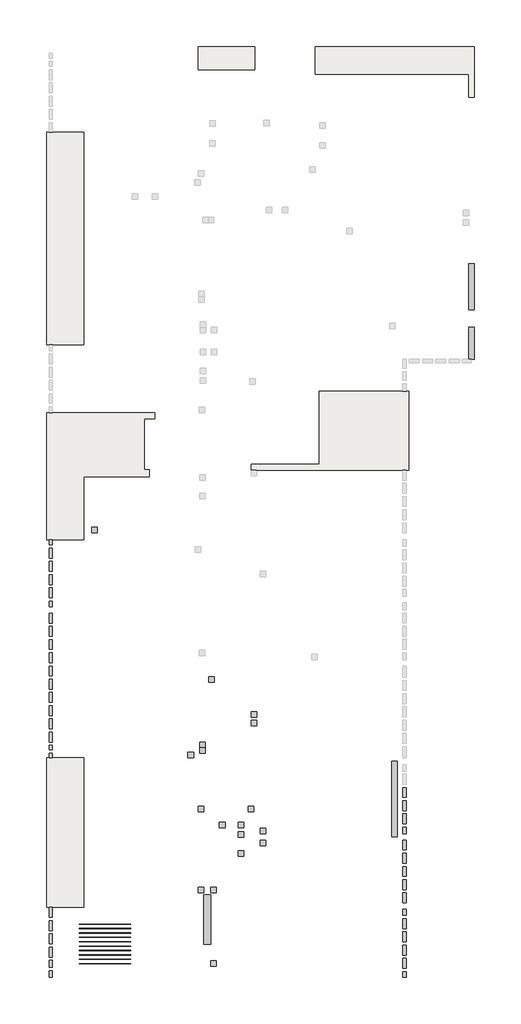
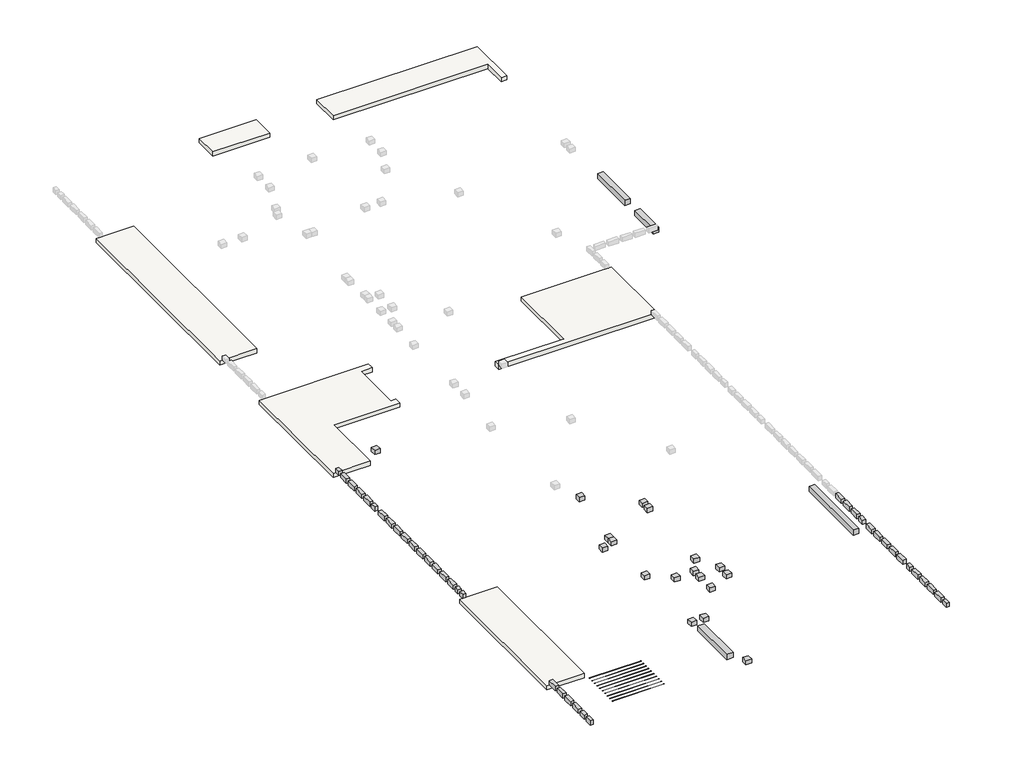
# One storey, part 1 of 2: 57 proxies, 12 reinforcing bars, 4 beams, 1 slab.
"""IFC4 building model written with IfcOpenShell, lengths in millimetres."""

import ifcopenshell
import ifcopenshell.guid

model = None  # the IFC model being written
_history = None  # IfcOwnerHistory: only IFC2X3 demands one
_inside = {}  # id of a spatial element -> (the spatial element, [elements in it])
_under = {}  # id of a project, library or spatial element -> (it, [spatial elements below it])
_declared = {}  # id of a project -> (the project, [libraries it declares])
_typed = {}  # id of a type object -> (the type object, [elements of that type])
_made_of = {}  # id of a material, layer set ... -> (it, [elements and type objects made of it])


def new_model(schema):
    """Start an empty IFC model of exactly this schema.

    Asked for "IFC4X3", IfcOpenShell would pick the latest addendum, in which some entities
    have other attributes; the version numbers below select the first issue.
    IFC2X3 requires an IfcOwnerHistory on every rooted entity: one is made here for all.
    """
    global model, _history
    if schema == "IFC4X3":
        model = ifcopenshell.file(schema_version=(4, 3, 0, 0))
    else:
        model = ifcopenshell.file(schema=schema)
    _inside.clear()
    _under.clear()
    _declared.clear()
    _typed.clear()
    _made_of.clear()
    _history = None
    if model.schema == "IFC2X3":
        org = make("IfcOrganization", Name="unknown")
        user = make(
            "IfcPersonAndOrganization",
            ThePerson=make("IfcPerson", FamilyName="unknown"),
            TheOrganization=org,
        )
        app = make(
            "IfcApplication",
            ApplicationDeveloper=org,
            Version="unknown",
            ApplicationFullName="unknown",
            ApplicationIdentifier="unknown",
        )
        _history = make(
            "IfcOwnerHistory",
            OwningUser=user,
            OwningApplication=app,
            ChangeAction="ADDED",
            CreationDate=0,
        )
    return model


def make(cls, **values):
    """One entity of the class cls with the attributes given. An attribute that is None is left unset."""
    return model.create_entity(
        cls, **{name: value for name, value in values.items() if value is not None}
    )


def rooted(cls, **values):
    """An entity with a GlobalId (a new one), such as an element, a storey or a relation."""
    return make(cls, GlobalId=ifcopenshell.guid.new(), OwnerHistory=_history, **values)


def si_unit(unit_type, name, prefix=None):
    """IfcSIUnit, for example si_unit("LENGTHUNIT", "METRE", prefix="MILLI")."""
    return make("IfcSIUnit", UnitType=unit_type, Prefix=prefix, Name=name)


def assignment(units):
    """IfcUnitAssignment: the units of a project."""
    return None if units is None else make("IfcUnitAssignment", Units=units)


def point(xyz):
    """IfcCartesianPoint."""
    return None if xyz is None else make("IfcCartesianPoint", Coordinates=xyz)


def direction(xyz):
    """IfcDirection."""
    return None if xyz is None else make("IfcDirection", DirectionRatios=xyz)


def frame(location, z_axis=None, x_axis=None):
    """IfcAxis2Placement3D, a coordinate frame: its origin and axes. An axis left out is left unset."""
    return make(
        "IfcAxis2Placement3D",
        Location=point(location),
        Axis=direction(z_axis),
        RefDirection=direction(x_axis),
    )


def frame_2d(location, x_axis=None):
    """IfcAxis2Placement2D, a coordinate frame in the plane: its origin and x axis."""
    return make(
        "IfcAxis2Placement2D", Location=point(location), RefDirection=direction(x_axis)
    )


def origin():
    """The frame at (0, 0, 0) with its axes left unset."""
    return frame((0.0, 0.0, 0.0))


def place(relative_to, where):
    """IfcLocalPlacement: puts the frame where relative to a parent placement (None: the world)."""
    return make(
        "IfcLocalPlacement", PlacementRelTo=relative_to, RelativePlacement=where
    )


def context(
    kind, dimensions, precision=None, world=None, true_north=None, identifier=None
):
    """IfcGeometricRepresentationContext, for example the 3D "Model" context."""
    return make(
        "IfcGeometricRepresentationContext",
        ContextIdentifier=identifier,
        ContextType=kind,
        CoordinateSpaceDimension=dimensions,
        Precision=precision,
        WorldCoordinateSystem=world,
        TrueNorth=true_north,
    )


def project(units=None, contexts=None):
    """IfcProject with its units and contexts."""
    return rooted(
        "IfcProject",
        Name="project",
        RepresentationContexts=contexts,
        UnitsInContext=assignment(units),
    )


def spatial(cls, under=None, at=None, **own):
    """A site, building, storey or space (cls), placed at a placement, below another one or the project."""
    s = rooted(cls, ObjectPlacement=at, **own)
    if under is not None:
        _under.setdefault(under.id(), (under, []))[1].append(s)
    return s


def polyline(points):
    """IfcPolyline through the points."""
    return make("IfcPolyline", Points=[point(p) for p in points])


def circle_curve(where, radius):
    """IfcCircle in the frame where."""
    return make("IfcCircle", Position=where, Radius=radius)


def trimmed(basis, trim1, trim2, sense, master):
    """IfcTrimmedCurve: the piece of a basis curve between two trims."""
    return make(
        "IfcTrimmedCurve",
        BasisCurve=basis,
        Trim1=trim1,
        Trim2=trim2,
        SenseAgreement=sense,
        MasterRepresentation=master,
    )


def segment(curve, same_sense, transition):
    """IfcCompositeCurveSegment."""
    return make(
        "IfcCompositeCurveSegment",
        Transition=transition,
        SameSense=same_sense,
        ParentCurve=curve,
    )


def composite_curve(segments, self_intersect=None):
    """IfcCompositeCurve: segments joined end to end."""
    return make("IfcCompositeCurve", Segments=segments, SelfIntersect=self_intersect)


def outline(outer, holes=None, kind="AREA"):
    """IfcArbitraryClosedProfileDef: a profile drawn as a closed curve; with holes, ...WithVoids."""
    if holes is None:
        return make("IfcArbitraryClosedProfileDef", ProfileType=kind, OuterCurve=outer)
    return make(
        "IfcArbitraryProfileDefWithVoids",
        ProfileType=kind,
        OuterCurve=outer,
        InnerCurves=holes,
    )


def extrude(swept, where, along, depth):
    """IfcExtrudedAreaSolid: the profile swept, set in the frame where, extruded along a direction by depth."""
    return make(
        "IfcExtrudedAreaSolid",
        SweptArea=swept,
        Position=where,
        ExtrudedDirection=direction(along),
        Depth=depth,
    )


def faces_of(points, faces, orient=None, outer=None):
    """IfcFace entities. A face is a list of loops; a loop is a list of indices into points, from 0.

    orient and outer hold one flag for each loop. By default every Orientation is true, the
    first loop of a face is its IfcFaceOuterBound and the others are IfcFaceBound.
    """
    made = []
    for i, loops in enumerate(faces):
        bounds = []
        for j, loop in enumerate(loops):
            is_outer = j == 0 if outer is None else outer[i][j]
            bounds.append(
                make(
                    "IfcFaceOuterBound" if is_outer else "IfcFaceBound",
                    Bound=make("IfcPolyLoop", Polygon=[points[k] for k in loop]),
                    Orientation=True if orient is None else orient[i][j],
                )
            )
        made.append(make("IfcFace", Bounds=bounds))
    return made


def faceted_brep(points, faces, orient=None, outer=None, voids=None):
    """IfcFacetedBrep: a solid bounded by flat faces; with voids (closed shells), ...WithVoids."""
    shared = [point(p) for p in points]
    hull = make("IfcClosedShell", CfsFaces=faces_of(shared, faces, orient, outer))
    if voids is None:
        return make("IfcFacetedBrep", Outer=hull)
    return make(
        "IfcFacetedBrepWithVoids",
        Outer=hull,
        Voids=[
            make(cls, CfsFaces=faces_of(shared, fs, o, b)) for cls, fs, o, b in voids
        ],
    )


def shape(context_of_items, identifier, shape_type, items):
    """IfcShapeRepresentation: the items that make up one representation, for example the "Body"."""
    return make(
        "IfcShapeRepresentation",
        ContextOfItems=context_of_items,
        RepresentationIdentifier=identifier,
        RepresentationType=shape_type,
        Items=items,
    )


def source(mapping_origin, context_of_items, identifier, shape_type, items):
    """IfcRepresentationMap: a shape defined once, which mapped items show again and again."""
    return make(
        "IfcRepresentationMap",
        MappingOrigin=mapping_origin,
        MappedRepresentation=shape(context_of_items, identifier, shape_type, items),
    )


def transform(
    local_origin,
    x_axis=None,
    y_axis=None,
    z_axis=None,
    scale=None,
    scale2=None,
    scale3=None,
    uniform=True,
):
    """IfcCartesianTransformationOperator3D, or its non-uniform kind. x_axis, y_axis, z_axis: its Axis1, 2, 3."""
    if uniform:
        return make(
            "IfcCartesianTransformationOperator3D",
            Axis1=direction(x_axis),
            Axis2=direction(y_axis),
            LocalOrigin=point(local_origin),
            Scale=scale,
            Axis3=direction(z_axis),
        )
    return make(
        "IfcCartesianTransformationOperator3DnonUniform",
        Axis1=direction(x_axis),
        Axis2=direction(y_axis),
        LocalOrigin=point(local_origin),
        Scale=scale,
        Axis3=direction(z_axis),
        Scale2=scale2,
        Scale3=scale3,
    )


def mapped(mapping_source, mapping_target):
    """IfcMappedItem: shows the shape of a source again, moved by a transform."""
    return make(
        "IfcMappedItem", MappingSource=mapping_source, MappingTarget=mapping_target
    )


def made_of(thing, what):
    """Note that an element or type object is made of a material, layer set ...; save() writes the relation."""
    if what is not None:
        _made_of.setdefault(what.id(), (what, []))[1].append(thing)
    return thing


def element(
    cls,
    number,
    at=None,
    inside=None,
    cuts=None,
    type_object=None,
    material=None,
    context=None,
    identifier="Body",
    shape_type=None,
    held_by="IfcProductDefinitionShape",
    body=None,
    shapes=None,
    **own,
):
    """One element of the class cls, such as IfcWall. Its Tag is "e" and its number.

    at: its placement. inside: the storey or other place that contains it. cuts: it is an
    opening in that element (IfcRelVoidsElement). A single representation is given by context,
    identifier, shape_type and body (its items); several are given by shapes. held_by: the class
    of the entity that holds the representations. save() writes the other relations.
    """
    e = rooted(cls, Tag="e%d" % number, ObjectPlacement=at, **own)
    if body is not None:
        shapes = [shape(context, identifier, shape_type, body)]
    if shapes is not None:
        e.Representation = make(held_by, Representations=shapes)
    if inside is not None:
        _inside.setdefault(inside.id(), (inside, []))[1].append(e)
    if cuts is not None:
        rooted(
            "IfcRelVoidsElement", RelatingBuildingElement=cuts, RelatedOpeningElement=e
        )
    if type_object is not None:
        _typed.setdefault(type_object.id(), (type_object, []))[1].append(e)
    return made_of(e, material)


def aggregate(whole, parts):
    """IfcRelAggregates: a whole, such as a stair, and the parts it consists of."""
    return rooted("IfcRelAggregates", RelatingObject=whole, RelatedObjects=parts)


def save(model, path):
    """Write the relations noted so far, then the file.

    IfcRelAggregates (storeys below a building ...), IfcRelContainedInSpatialStructure (elements
    in a storey), IfcRelDefinesByType, IfcRelAssociatesMaterial and IfcRelDeclares: one each for
    every whole, place, type object, material and project.
    """
    for whole, parts in _under.values():
        aggregate(whole, parts)
    for where, things in _inside.values():
        rooted(
            "IfcRelContainedInSpatialStructure",
            RelatedElements=things,
            RelatingStructure=where,
        )
    for kind, things in _typed.values():
        rooted("IfcRelDefinesByType", RelatedObjects=things, RelatingType=kind)
    for what, things in _made_of.values():
        rooted("IfcRelAssociatesMaterial", RelatedObjects=things, RelatingMaterial=what)
    for by, libraries in _declared.values():
        rooted("IfcRelDeclares", RelatingContext=by, RelatedDefinitions=libraries)
    model.write(path)


def generic_models_b69ed8e5(model_context):
    return source(origin(), model_context, "Body", "SweptSolid", [
        extrude(outline(polyline([(125.0, 125.0), (125.0, -125.0), (-125.0, -125.0), (-125.0, 125.0), (125.0, 125.0)])), frame((0.0, 0.0, -200.0), z_axis=(0.0, 0.0, 1.0), x_axis=(1.0, 0.0, 0.0)), (0.0, 0.0, 1.0), 200.0),
    ])


def generic_models_1a447324(model_context):
    return source(origin(), model_context, "Body", "SweptSolid", [
        extrude(outline(polyline([(225.0, 75.0), (225.0, -75.0), (-225.0, -75.0), (-225.0, 75.0), (225.0, 75.0)])), frame((0.0, 0.0, -200.0), z_axis=(0.0, 0.0, 1.0), x_axis=(1.0, 0.0, 0.0)), (0.0, 0.0, 1.0), 200.0),
    ])


def generic_models_53e0e457(model_context):
    return source(origin(), model_context, "Body", "SweptSolid", [
        extrude(outline(polyline([(157.5, 75.0), (157.5, -75.0), (-157.5, -75.0), (-157.5, 75.0), (157.5, 75.0)])), frame((0.0, 0.0, -200.0), z_axis=(0.0, 0.0, 1.0), x_axis=(1.0, 0.0, 0.0)), (0.0, 0.0, 1.0), 200.0),
    ])


def generic_models_824d6e55(model_context):
    return source(origin(), model_context, "Body", "SweptSolid", [
        extrude(outline(polyline([(155.0, 75.0), (155.0, -75.0), (-155.0, -75.0), (-155.0, 75.0), (155.0, 75.0)])), frame((0.0, 0.0, -200.0), z_axis=(0.0, 0.0, 1.0), x_axis=(1.0, 0.0, 0.0)), (0.0, 0.0, 1.0), 200.0),
    ])


def generic_models_7f29e821(model_context):
    return source(origin(), model_context, "Body", "SweptSolid", [
        extrude(outline(polyline([(220.0, 75.0), (220.0, -75.0), (-220.0, -75.0), (-220.0, 75.0), (220.0, 75.0)])), frame((0.0, 0.0, -200.0), z_axis=(0.0, 0.0, 1.0), x_axis=(1.0, 0.0, 0.0)), (0.0, 0.0, 1.0), 200.0),
    ])


def generic_models_43026be4(model_context):
    return source(origin(), model_context, "Body", "SweptSolid", [
        extrude(outline(polyline([(132.5, 75.0), (132.5, -75.0), (-132.5, -75.0), (-132.5, 75.0), (132.5, 75.0)])), frame((0.0, 0.0, -200.0), z_axis=(0.0, 0.0, 1.0), x_axis=(1.0, 0.0, 0.0)), (0.0, 0.0, 1.0), 200.0),
    ])


def generic_models_418617a2(model_context):
    return source(origin(), model_context, "Body", "SweptSolid", [
        extrude(outline(polyline([(135.0, 75.0), (135.0, -75.0), (-135.0, -75.0), (-135.0, 75.0), (135.0, 75.0)])), frame((0.0, 0.0, -200.0), z_axis=(0.0, 0.0, 1.0), x_axis=(1.0, 0.0, 0.0)), (0.0, 0.0, 1.0), 200.0),
    ])


def generic_models_36662c5a(model_context):
    return source(origin(), model_context, "Body", "SweptSolid", [
        extrude(outline(polyline([(147.5, 75.0), (147.5, -75.0), (-147.5, -75.0), (-147.5, 75.0), (147.5, 75.0)])), frame((0.0, 0.0, -200.0), z_axis=(0.0, 0.0, 1.0), x_axis=(1.0, 0.0, 0.0)), (0.0, 0.0, 1.0), 200.0),
    ])


def generic_models_ca8f2968(model_context):
    return source(origin(), model_context, "Body", "SweptSolid", [
        extrude(outline(polyline([(105.0, 75.0), (105.0, -75.0), (-105.0, -75.0), (-105.0, 75.0), (105.0, 75.0)])), frame((0.0, 0.0, -200.0), z_axis=(0.0, 0.0, 1.0), x_axis=(1.0, 0.0, 0.0)), (0.0, 0.0, 1.0), 200.0),
    ])


def generic_models_42f9d226(model_context):
    return source(origin(), model_context, "Body", "SweptSolid", [
        extrude(outline(polyline([(122.5, 75.0), (122.5, -75.0), (-122.5, -75.0), (-122.5, 75.0), (122.5, 75.0)])), frame((0.0, 0.0, -200.0), z_axis=(0.0, 0.0, 1.0), x_axis=(1.0, 0.0, 0.0)), (0.0, 0.0, 1.0), 200.0),
    ])


def reinforcing_bar_9b435ab7(model_context):
    return source(origin(), model_context, "Body", "SweptSolid", [
        extrude(outline(composite_curve([segment(trimmed(circle_curve(frame_2d((-1.6568014, 0.0)), 5.0), [point((-6.6568014, 0.0))], [point((3.3431986, 0.0))], False, "CARTESIAN"), True, "CONTINUOUS"), segment(trimmed(circle_curve(frame_2d((-1.6568014, 0.0)), 5.0), [point((3.3431986, 0.0))], [point((-6.6568014, 0.0))], False, "CARTESIAN"), True, "CONTINUOUS")], self_intersect=False)), frame((-1174.7458474, 0.0, 0.0), z_axis=(1.0, 0.0, 0.0), x_axis=(0.0, 1.0, 0.0)), (0.0, 0.0, 1.0), 2340.0),
    ])


model = new_model("IFC4")

# Units and contexts
model_context = context("Model", 3, world=origin())
ifc_project = project(units=[si_unit("LENGTHUNIT", "METRE", prefix="MILLI")], contexts=[model_context])

# Site, building, storey
site = spatial("IfcSite", under=ifc_project)
building = spatial("IfcBuilding", under=site)
storey = spatial("IfcBuildingStorey", under=building, Elevation=0.0)

# Beams
placement = place(None, origin())
element("IfcBeam", 1, at=placement, inside=storey, context=model_context, shape_type="SweptSolid", body=[
    extrude(outline(polyline([(28490.0000001, 51915.0), (28740.0000001, 51915.0), (28740.0000001, 48475.0), (28490.0000001, 48475.0), (28490.0000001, 51915.0)])), frame((0.0, 0.0, -450.0), z_axis=(0.0, 0.0, 1.0), x_axis=(1.0, 0.0, 0.0)), (0.0, 0.0, 1.0), 250.0),
])
element("IfcBeam", 2, at=placement, inside=storey, context=model_context, shape_type="SweptSolid", body=[
    extrude(outline(polyline([(19975.0, 45860.0), (20275.0, 45860.0), (20275.0, 43610.0), (19975.0, 43610.0), (19975.0, 45860.0)])), frame((0.0, 0.0, -450.0), z_axis=(0.0, 0.0, 1.0), x_axis=(1.0, 0.0, 0.0)), (0.0, 0.0, 1.0), 250.0),
])
element("IfcBeam", 3, at=placement, inside=storey, context=model_context, shape_type="Brep", body=[
    faceted_brep([(32249.9999997, 70150.0, -200.0), (32100.0, 70150.0, -200.0), (31999.9999997, 70150.0, -200.0), (31999.9999997, 70150.0, -450.0), (32249.9999997, 70150.0, -450.0), (32249.9999997, 71600.0, -200.0), (32249.9999997, 71600.0, -450.0), (31999.9999997, 71600.0, -450.0), (31999.9999997, 71600.0, -200.0)], [[[0, 1, 2, 3, 4]], [[5, 6, 7, 8]], [[2, 1, 0, 5, 8]], [[3, 2, 8, 7]], [[4, 3, 7, 6]], [[0, 4, 6, 5]]]),
])
element("IfcBeam", 4, at=placement, inside=storey, context=model_context, shape_type="SweptSolid", body=[
    extrude(outline(polyline([(32249.9999997, 72400.0), (31999.9999997, 72400.0), (31999.9999997, 74500.0), (32249.9999997, 74500.0), (32249.9999997, 72400.0)])), frame((0.0, 0.0, -450.0), z_axis=(0.0, 0.0, 1.0), x_axis=(1.0, 0.0, 0.0)), (0.0, 0.0, 1.0), 250.0),
])

# Proxies
generic_models_shape = generic_models_b69ed8e5(model_context)
element("IfcBuildingElementProxy", 5, Name="Generic Models", at=placement, inside=storey, context=model_context, shape_type="MappedRepresentation", body=[
    mapped(generic_models_shape, transform((19850.0, 46080.0, 0.0), x_axis=(1.0, 0.0, 0.0), y_axis=(0.0, 1.0, 0.0), z_axis=(0.0, 0.0, 1.0))),
])
element("IfcBuildingElementProxy", 6, Name="Generic Models", at=placement, inside=storey, context=model_context, shape_type="MappedRepresentation", body=[
    mapped(generic_models_shape, transform((20400.0, 46079.9999999, 0.0), x_axis=(1.0, 0.0, 0.0), y_axis=(0.0, 1.0, 0.0), z_axis=(0.0, 0.0, 1.0))),
])
element("IfcBuildingElementProxy", 7, Name="Generic Models", at=placement, inside=storey, context=model_context, shape_type="MappedRepresentation", body=[
    mapped(generic_models_shape, transform((22654.9999997, 48200.0, 0.0), x_axis=(1.0, 0.0, 0.0), y_axis=(0.0, 1.0, 0.0), z_axis=(0.0, 0.0, 1.0))),
])
element("IfcBuildingElementProxy", 8, Name="Generic Models", at=placement, inside=storey, context=model_context, shape_type="MappedRepresentation", body=[
    mapped(generic_models_shape, transform((22654.9999997, 48750.0, 0.0), x_axis=(1.0, 0.0, 0.0), y_axis=(0.0, 1.0, 0.0), z_axis=(0.0, 0.0, 1.0))),
])
element("IfcBuildingElementProxy", 9, Name="Generic Models", at=placement, inside=storey, context=model_context, shape_type="MappedRepresentation", body=[
    mapped(generic_models_shape, transform((22104.9999997, 49754.9999999, 0.0), x_axis=(1.0, 0.0, 0.0), y_axis=(0.0, 1.0, 0.0), z_axis=(0.0, 0.0, 1.0))),
])
element("IfcBuildingElementProxy", 10, Name="Generic Models", at=placement, inside=storey, context=model_context, shape_type="MappedRepresentation", body=[
    mapped(generic_models_shape, transform((19850.0, 49735.0, 0.0), x_axis=(1.0, 0.0, 0.0), y_axis=(0.0, 1.0, 0.0), z_axis=(0.0, 0.0, 1.0))),
])
element("IfcBuildingElementProxy", 11, Name="Generic Models", at=placement, inside=storey, context=model_context, shape_type="MappedRepresentation", body=[
    mapped(generic_models_shape, transform((19374.9999997, 52190.0, 0.0), x_axis=(1.0, 0.0, 0.0), y_axis=(0.0, 1.0, 0.0), z_axis=(0.0, 0.0, 1.0))),
])
element("IfcBuildingElementProxy", 12, Name="Generic Models", at=placement, inside=storey, context=model_context, shape_type="MappedRepresentation", body=[
    mapped(generic_models_shape, transform((19900.0, 52390.0, 0.0), x_axis=(1.0, 0.0, 0.0), y_axis=(0.0, 1.0, 0.0), z_axis=(0.0, 0.0, 1.0))),
])
element("IfcBuildingElementProxy", 13, Name="Generic Models", at=placement, inside=storey, context=model_context, shape_type="MappedRepresentation", body=[
    mapped(generic_models_shape, transform((22250.0, 53644.9999999, 0.0), x_axis=(1.0, 0.0, 0.0), y_axis=(0.0, 1.0, 0.0), z_axis=(0.0, 0.0, 1.0))),
])
element("IfcBuildingElementProxy", 14, Name="Generic Models", at=placement, inside=storey, context=model_context, shape_type="MappedRepresentation", body=[
    mapped(generic_models_shape, transform((15004.9999997, 62400.0, 0.0), x_axis=(1.0, 0.0, 0.0), y_axis=(0.0, 1.0, 0.0), z_axis=(0.0, 0.0, 1.0))),
])
element("IfcBuildingElementProxy", 15, Name="Generic Models", at=placement, inside=storey, context=model_context, shape_type="MappedRepresentation", body=[
    mapped(generic_models_shape, transform((20315.0, 55615.0, 0.0), x_axis=(1.0, 0.0, 0.0), y_axis=(0.0, 1.0, 0.0), z_axis=(0.0, 0.0, 1.0))),
])
element("IfcBuildingElementProxy", 16, Name="Generic Models", at=placement, inside=storey, context=model_context, shape_type="MappedRepresentation", body=[
    mapped(generic_models_shape, transform((22250.0, 54044.9999999, 0.0), x_axis=(1.0, 0.0, 0.0), y_axis=(0.0, 1.0, 0.0), z_axis=(0.0, 0.0, 1.0))),
])
element("IfcBuildingElementProxy", 17, Name="Generic Models", at=placement, inside=storey, context=model_context, shape_type="MappedRepresentation", body=[
    mapped(generic_models_shape, transform((19900.0, 52640.0, 0.0), x_axis=(1.0, 0.0, 0.0), y_axis=(0.0, 1.0, 0.0), z_axis=(0.0, 0.0, 1.0))),
])
element("IfcBuildingElementProxy", 18, Name="Generic Models", at=placement, inside=storey, context=model_context, shape_type="MappedRepresentation", body=[
    mapped(generic_models_shape, transform((21654.9999998, 49025.0, 0.0), x_axis=(1.0, 0.0, 0.0), y_axis=(0.0, 1.0, 0.0), z_axis=(0.0, 0.0, 1.0))),
])
element("IfcBuildingElementProxy", 19, Name="Generic Models", at=placement, inside=storey, context=model_context, shape_type="MappedRepresentation", body=[
    mapped(generic_models_shape, transform((20804.9999998, 49025.0, 0.0), x_axis=(1.0, 0.0, 0.0), y_axis=(0.0, 1.0, 0.0), z_axis=(0.0, 0.0, 1.0))),
])
element("IfcBuildingElementProxy", 20, Name="Generic Models", at=placement, inside=storey, context=model_context, shape_type="MappedRepresentation", body=[
    mapped(generic_models_shape, transform((21654.9999998, 48585.0, 0.0), x_axis=(1.0, 0.0, 0.0), y_axis=(0.0, 1.0, 0.0), z_axis=(0.0, 0.0, 1.0))),
])
element("IfcBuildingElementProxy", 21, Name="Generic Models", at=placement, inside=storey, context=model_context, shape_type="MappedRepresentation", body=[
    mapped(generic_models_shape, transform((21654.9999998, 47735.0, 0.0), x_axis=(1.0, 0.0, 0.0), y_axis=(0.0, 1.0, 0.0), z_axis=(0.0, 0.0, 1.0))),
])
element("IfcBuildingElementProxy", 22, Name="Generic Models", at=placement, inside=storey, context=model_context, shape_type="MappedRepresentation", body=[
    mapped(generic_models_shape, transform((20400.0, 42739.9999999, 0.0), x_axis=(1.0, 0.0, 0.0), y_axis=(0.0, 1.0, 0.0), z_axis=(0.0, 0.0, 1.0))),
])
generic_models_2_shape = generic_models_1a447324(model_context)
element("IfcBuildingElementProxy", 23, Name="Generic Models", at=placement, inside=storey, context=model_context, shape_type="MappedRepresentation", body=[
    mapped(generic_models_2_shape, transform((13025.0, 61355.0, 0.0), x_axis=(0.0, -1.0, 0.0), y_axis=(1.0, 0.0, 0.0), z_axis=(0.0, 0.0, 1.0))),
])
element("IfcBuildingElementProxy", 24, Name="Generic Models", at=placement, inside=storey, context=model_context, shape_type="MappedRepresentation", body=[
    mapped(generic_models_2_shape, transform((13025.0, 60755.0, 0.0), x_axis=(0.0, -1.0, 0.0), y_axis=(1.0, 0.0, 0.0), z_axis=(0.0, 0.0, 1.0))),
])
element("IfcBuildingElementProxy", 25, Name="Generic Models", at=placement, inside=storey, context=model_context, shape_type="MappedRepresentation", body=[
    mapped(generic_models_2_shape, transform((13025.0, 60155.0, 0.0), x_axis=(0.0, -1.0, 0.0), y_axis=(1.0, 0.0, 0.0), z_axis=(0.0, 0.0, 1.0))),
])
element("IfcBuildingElementProxy", 26, Name="Generic Models", at=placement, inside=storey, context=model_context, shape_type="MappedRepresentation", body=[
    mapped(generic_models_2_shape, transform((13025.0, 59555.0, 0.0), x_axis=(0.0, -1.0, 0.0), y_axis=(1.0, 0.0, 0.0), z_axis=(0.0, 0.0, 1.0))),
])
element("IfcBuildingElementProxy", 27, Name="Generic Models", at=placement, inside=storey, context=model_context, shape_type="MappedRepresentation", body=[
    mapped(generic_models_2_shape, transform((13025.0, 58410.0, 0.0), x_axis=(0.0, -1.0, 0.0), y_axis=(1.0, 0.0, 0.0), z_axis=(0.0, 0.0, 1.0))),
])
element("IfcBuildingElementProxy", 28, Name="Generic Models", at=placement, inside=storey, context=model_context, shape_type="MappedRepresentation", body=[
    mapped(generic_models_2_shape, transform((13025.0, 57810.0, 0.0), x_axis=(0.0, -1.0, 0.0), y_axis=(1.0, 0.0, 0.0), z_axis=(0.0, 0.0, 1.0))),
])
element("IfcBuildingElementProxy", 29, Name="Generic Models", at=placement, inside=storey, context=model_context, shape_type="MappedRepresentation", body=[
    mapped(generic_models_2_shape, transform((13025.0, 57210.0, 0.0), x_axis=(0.0, -1.0, 0.0), y_axis=(1.0, 0.0, 0.0), z_axis=(0.0, 0.0, 1.0))),
])
element("IfcBuildingElementProxy", 30, Name="Generic Models", at=placement, inside=storey, context=model_context, shape_type="MappedRepresentation", body=[
    mapped(generic_models_2_shape, transform((13025.0, 56610.0, 0.0), x_axis=(0.0, -1.0, 0.0), y_axis=(1.0, 0.0, 0.0), z_axis=(0.0, 0.0, 1.0))),
])
element("IfcBuildingElementProxy", 31, Name="Generic Models", at=placement, inside=storey, context=model_context, shape_type="MappedRepresentation", body=[
    mapped(generic_models_2_shape, transform((13025.0, 56010.0, 0.0), x_axis=(0.0, -1.0, 0.0), y_axis=(1.0, 0.0, 0.0), z_axis=(0.0, 0.0, 1.0))),
])
element("IfcBuildingElementProxy", 32, Name="Generic Models", at=placement, inside=storey, context=model_context, shape_type="MappedRepresentation", body=[
    mapped(generic_models_2_shape, transform((13025.0, 55410.0, 0.0), x_axis=(0.0, -1.0, 0.0), y_axis=(1.0, 0.0, 0.0), z_axis=(0.0, 0.0, 1.0))),
])
element("IfcBuildingElementProxy", 33, Name="Generic Models", at=placement, inside=storey, context=model_context, shape_type="MappedRepresentation", body=[
    mapped(generic_models_2_shape, transform((13025.0, 54810.0, 0.0), x_axis=(0.0, -1.0, 0.0), y_axis=(1.0, 0.0, 0.0), z_axis=(0.0, 0.0, 1.0))),
])
element("IfcBuildingElementProxy", 34, Name="Generic Models", at=placement, inside=storey, context=model_context, shape_type="MappedRepresentation", body=[
    mapped(generic_models_2_shape, transform((13025.0, 54210.0, 0.0), x_axis=(0.0, -1.0, 0.0), y_axis=(1.0, 0.0, 0.0), z_axis=(0.0, 0.0, 1.0))),
])
element("IfcBuildingElementProxy", 35, Name="Generic Models", at=placement, inside=storey, context=model_context, shape_type="MappedRepresentation", body=[
    mapped(generic_models_2_shape, transform((13025.0, 53610.0, 0.0), x_axis=(0.0, -1.0, 0.0), y_axis=(1.0, 0.0, 0.0), z_axis=(0.0, 0.0, 1.0))),
])
element("IfcBuildingElementProxy", 36, Name="Generic Models", at=placement, inside=storey, context=model_context, shape_type="MappedRepresentation", body=[
    mapped(generic_models_2_shape, transform((13025.0, 53010.0, 0.0), x_axis=(0.0, -1.0, 0.0), y_axis=(1.0, 0.0, 0.0), z_axis=(0.0, 0.0, 1.0))),
])
element("IfcBuildingElementProxy", 37, Name="Generic Models", at=placement, inside=storey, context=model_context, shape_type="MappedRepresentation", body=[
    mapped(generic_models_2_shape, transform((13025.0, 45050.0, 0.0), x_axis=(0.0, -1.0, 0.0), y_axis=(1.0, 0.0, 0.0), z_axis=(0.0, 0.0, 1.0))),
])
element("IfcBuildingElementProxy", 38, Name="Generic Models", at=placement, inside=storey, context=model_context, shape_type="MappedRepresentation", body=[
    mapped(generic_models_2_shape, transform((13025.0, 44450.0, 0.0), x_axis=(0.0, -1.0, 0.0), y_axis=(1.0, 0.0, 0.0), z_axis=(0.0, 0.0, 1.0))),
])
element("IfcBuildingElementProxy", 39, Name="Generic Models", at=placement, inside=storey, context=model_context, shape_type="MappedRepresentation", body=[
    mapped(generic_models_2_shape, transform((13025.0, 43850.0, 0.0), x_axis=(0.0, -1.0, 0.0), y_axis=(1.0, 0.0, 0.0), z_axis=(0.0, 0.0, 1.0))),
])
element("IfcBuildingElementProxy", 40, Name="Generic Models", at=placement, inside=storey, context=model_context, shape_type="MappedRepresentation", body=[
    mapped(generic_models_2_shape, transform((13025.0, 43250.0, 0.0), x_axis=(0.0, -1.0, 0.0), y_axis=(1.0, 0.0, 0.0), z_axis=(0.0, 0.0, 1.0))),
])
element("IfcBuildingElementProxy", 41, Name="Generic Models", at=placement, inside=storey, context=model_context, shape_type="MappedRepresentation", body=[
    mapped(generic_models_2_shape, transform((29075.0, 50495.0, 0.0), x_axis=(0.0, -1.0, 0.0), y_axis=(1.0, 0.0, 0.0), z_axis=(0.0, 0.0, 1.0))),
])
element("IfcBuildingElementProxy", 42, Name="Generic Models", at=placement, inside=storey, context=model_context, shape_type="MappedRepresentation", body=[
    mapped(generic_models_2_shape, transform((29075.0, 49895.0, 0.0), x_axis=(0.0, -1.0, 0.0), y_axis=(1.0, 0.0, 0.0), z_axis=(0.0, 0.0, 1.0))),
])
element("IfcBuildingElementProxy", 43, Name="Generic Models", at=placement, inside=storey, context=model_context, shape_type="MappedRepresentation", body=[
    mapped(generic_models_2_shape, transform((29075.0, 49295.0, 0.0), x_axis=(0.0, -1.0, 0.0), y_axis=(1.0, 0.0, 0.0), z_axis=(0.0, 0.0, 1.0))),
])
element("IfcBuildingElementProxy", 44, Name="Generic Models", at=placement, inside=storey, context=model_context, shape_type="MappedRepresentation", body=[
    mapped(generic_models_2_shape, transform((29075.0, 44540.0, 0.0), x_axis=(0.0, -1.0, 0.0), y_axis=(1.0, 0.0, 0.0), z_axis=(0.0, 0.0, 1.0))),
])
element("IfcBuildingElementProxy", 45, Name="Generic Models", at=placement, inside=storey, context=model_context, shape_type="MappedRepresentation", body=[
    mapped(generic_models_2_shape, transform((29075.0, 43940.0, 0.0), x_axis=(0.0, -1.0, 0.0), y_axis=(1.0, 0.0, 0.0), z_axis=(0.0, 0.0, 1.0))),
])
element("IfcBuildingElementProxy", 46, Name="Generic Models", at=placement, inside=storey, context=model_context, shape_type="MappedRepresentation", body=[
    mapped(generic_models_2_shape, transform((29075.0, 43340.0, 0.0), x_axis=(0.0, -1.0, 0.0), y_axis=(1.0, 0.0, 0.0), z_axis=(0.0, 0.0, 1.0))),
])
element("IfcBuildingElementProxy", 47, Name="Generic Models", at=placement, inside=storey, context=model_context, shape_type="MappedRepresentation", body=[
    mapped(generic_models_2_shape, transform((29075.0, 42740.0, 0.0), x_axis=(0.0, -1.0, 0.0), y_axis=(1.0, 0.0, 0.0), z_axis=(0.0, 0.0, 1.0))),
])
element("IfcBuildingElementProxy", 48, Name="Generic Models", at=placement, inside=storey, context=model_context, shape_type="MappedRepresentation", body=[
    mapped(generic_models_2_shape, transform((29075.0, 47510.0, 0.0), x_axis=(0.0, -1.0, 0.0), y_axis=(1.0, 0.0, 0.0), z_axis=(0.0, 0.0, 1.0))),
])
element("IfcBuildingElementProxy", 49, Name="Generic Models", at=placement, inside=storey, context=model_context, shape_type="MappedRepresentation", body=[
    mapped(generic_models_2_shape, transform((29075.0, 46910.0, 0.0), x_axis=(0.0, -1.0, 0.0), y_axis=(1.0, 0.0, 0.0), z_axis=(0.0, 0.0, 1.0))),
])
element("IfcBuildingElementProxy", 50, Name="Generic Models", at=placement, inside=storey, context=model_context, shape_type="MappedRepresentation", body=[
    mapped(generic_models_2_shape, transform((29075.0, 46310.0, 0.0), x_axis=(0.0, -1.0, 0.0), y_axis=(1.0, 0.0, 0.0), z_axis=(0.0, 0.0, 1.0))),
])
element("IfcBuildingElementProxy", 51, Name="Generic Models", at=placement, inside=storey, context=model_context, shape_type="MappedRepresentation", body=[
    mapped(generic_models_2_shape, transform((29075.0, 45710.0, 0.0), x_axis=(0.0, -1.0, 0.0), y_axis=(1.0, 0.0, 0.0), z_axis=(0.0, 0.0, 1.0))),
])
generic_models_3_shape = generic_models_53e0e457(model_context)
element("IfcBuildingElementProxy", 52, Name="Generic Models", at=placement, inside=storey, context=model_context, shape_type="MappedRepresentation", body=[
    mapped(generic_models_3_shape, transform((13025.0, 42257.5, 0.0), x_axis=(0.0, -1.0, 0.0), y_axis=(1.0, 0.0, 0.0), z_axis=(0.0, 0.0, 1.0))),
])
generic_models_4_shape = generic_models_824d6e55(model_context)
element("IfcBuildingElementProxy", 53, Name="Generic Models", at=placement, inside=storey, context=model_context, shape_type="MappedRepresentation", body=[
    mapped(generic_models_4_shape, transform((13025.0, 42720.0, 0.0), x_axis=(0.0, -1.0, 0.0), y_axis=(1.0, 0.0, 0.0), z_axis=(0.0, 0.0, 1.0))),
])
generic_models_5_shape = generic_models_7f29e821(model_context)
element("IfcBuildingElementProxy", 54, Name="Generic Models", at=placement, inside=storey, context=model_context, shape_type="MappedRepresentation", body=[
    mapped(generic_models_5_shape, transform((29075.0, 48105.0, 0.0), x_axis=(0.0, -1.0, 0.0), y_axis=(1.0, 0.0, 0.0), z_axis=(0.0, 0.0, 1.0))),
])
generic_models_6_shape = generic_models_43026be4(model_context)
element("IfcBuildingElementProxy", 55, Name="Generic Models", at=placement, inside=storey, context=model_context, shape_type="MappedRepresentation", body=[
    mapped(generic_models_6_shape, transform((29075.0, 42232.5, 0.0), x_axis=(0.0, -1.0, 0.0), y_axis=(1.0, 0.0, 0.0), z_axis=(0.0, 0.0, 1.0))),
])
generic_models_7_shape = generic_models_418617a2(model_context)
element("IfcBuildingElementProxy", 56, Name="Generic Models", at=placement, inside=storey, context=model_context, shape_type="MappedRepresentation", body=[
    mapped(generic_models_7_shape, transform((29075.0, 45050.0, 0.0), x_axis=(0.0, -1.0, 0.0), y_axis=(1.0, 0.0, 0.0), z_axis=(0.0, 0.0, 1.0))),
])
generic_models_8_shape = generic_models_36662c5a(model_context)
element("IfcBuildingElementProxy", 57, Name="Generic Models", at=placement, inside=storey, context=model_context, shape_type="MappedRepresentation", body=[
    mapped(generic_models_8_shape, transform((29075.0, 48772.5, 0.0), x_axis=(0.0, -1.0, 0.0), y_axis=(1.0, 0.0, 0.0), z_axis=(0.0, 0.0, 1.0))),
])
generic_models_9_shape = generic_models_ca8f2968(model_context)
element("IfcBuildingElementProxy", 58, Name="Generic Models", at=placement, inside=storey, context=model_context, shape_type="MappedRepresentation", body=[
    mapped(generic_models_9_shape, transform((13025.0, 52530.0, 0.0), x_axis=(0.0, -1.0, 0.0), y_axis=(1.0, 0.0, 0.0), z_axis=(0.0, 0.0, 1.0))),
])
element("IfcBuildingElementProxy", 59, Name="Generic Models", at=placement, inside=storey, context=model_context, shape_type="MappedRepresentation", body=[
    mapped(generic_models_9_shape, transform((13025.0, 52170.0, 0.0), x_axis=(0.0, -1.0, 0.0), y_axis=(1.0, 0.0, 0.0), z_axis=(0.0, 0.0, 1.0))),
])
generic_models_10_shape = generic_models_42f9d226(model_context)
element("IfcBuildingElementProxy", 60, Name="Generic Models", at=placement, inside=storey, context=model_context, shape_type="MappedRepresentation", body=[
    mapped(generic_models_10_shape, transform((13025.0, 61852.5, 0.0), x_axis=(0.0, -1.0, 0.0), y_axis=(1.0, 0.0, 0.0), z_axis=(0.0, 0.0, 1.0))),
])
element("IfcBuildingElementProxy", 61, Name="Generic Models", at=placement, inside=storey, context=model_context, shape_type="MappedRepresentation", body=[
    mapped(generic_models_10_shape, transform((13025.0, 59057.5, 0.0), x_axis=(0.0, -1.0, 0.0), y_axis=(1.0, 0.0, 0.0), z_axis=(0.0, 0.0, 1.0))),
])

# Reinforcing bars
reinforcing_bar_shape = reinforcing_bar_9b435ab7(model_context)
element("IfcReinforcingBar", 62, at=placement, inside=storey, context=model_context, shape_type="MappedRepresentation", body=[
    mapped(reinforcing_bar_shape, transform((15484.745848, 43718.3431986, 101.0), x_axis=(1.0, 0.0, 0.0), y_axis=(0.0, -1.0, 0.0), z_axis=(0.0, 0.0, -1.0))),
])
element("IfcReinforcingBar", 63, at=placement, inside=storey, context=model_context, shape_type="MappedRepresentation", body=[
    mapped(reinforcing_bar_shape, transform((15484.745848, 43518.3431986, 101.0), x_axis=(1.0, 0.0, 0.0), y_axis=(0.0, -1.0, 0.0), z_axis=(0.0, 0.0, -1.0))),
])
element("IfcReinforcingBar", 64, at=placement, inside=storey, context=model_context, shape_type="MappedRepresentation", body=[
    mapped(reinforcing_bar_shape, transform((15484.745848, 43318.3431986, 101.0), x_axis=(1.0, 0.0, 0.0), y_axis=(0.0, -1.0, 0.0), z_axis=(0.0, 0.0, -1.0))),
])
element("IfcReinforcingBar", 65, at=placement, inside=storey, context=model_context, shape_type="MappedRepresentation", body=[
    mapped(reinforcing_bar_shape, transform((15484.745848, 44518.3431986, 101.0), x_axis=(1.0, 0.0, 0.0), y_axis=(0.0, -1.0, 0.0), z_axis=(0.0, 0.0, -1.0))),
])
element("IfcReinforcingBar", 66, at=placement, inside=storey, context=model_context, shape_type="MappedRepresentation", body=[
    mapped(reinforcing_bar_shape, transform((15484.745848, 43118.3431986, 101.0), x_axis=(1.0, 0.0, 0.0), y_axis=(0.0, -1.0, 0.0), z_axis=(0.0, 0.0, -1.0))),
])
element("IfcReinforcingBar", 67, at=placement, inside=storey, context=model_context, shape_type="MappedRepresentation", body=[
    mapped(reinforcing_bar_shape, transform((15484.745848, 42918.3431986, 101.0), x_axis=(1.0, 0.0, 0.0), y_axis=(0.0, -1.0, 0.0), z_axis=(0.0, 0.0, -1.0))),
])
element("IfcReinforcingBar", 68, at=placement, inside=storey, context=model_context, shape_type="MappedRepresentation", body=[
    mapped(reinforcing_bar_shape, transform((15484.745848, 42718.3431986, 101.0), x_axis=(1.0, 0.0, 0.0), y_axis=(0.0, -1.0, 0.0), z_axis=(0.0, 0.0, -1.0))),
])
element("IfcReinforcingBar", 69, at=placement, inside=storey, context=model_context, shape_type="MappedRepresentation", body=[
    mapped(reinforcing_bar_shape, transform((15484.745848, 44118.3431986, 101.0), x_axis=(1.0, 0.0, 0.0), y_axis=(0.0, -1.0, 0.0), z_axis=(0.0, 0.0, -1.0))),
])
element("IfcReinforcingBar", 70, at=placement, inside=storey, context=model_context, shape_type="MappedRepresentation", body=[
    mapped(reinforcing_bar_shape, transform((15484.745848, 43918.3431986, 101.0), x_axis=(1.0, 0.0, 0.0), y_axis=(0.0, -1.0, 0.0), z_axis=(0.0, 0.0, -1.0))),
])
element("IfcReinforcingBar", 71, at=placement, inside=storey, context=model_context, shape_type="MappedRepresentation", body=[
    mapped(reinforcing_bar_shape, transform((15484.745848, 44318.3431986, 101.0), x_axis=(1.0, 0.0, 0.0), y_axis=(0.0, -1.0, 0.0), z_axis=(0.0, 0.0, -1.0))),
])
element("IfcReinforcingBar", 72, at=placement, inside=storey, context=model_context, shape_type="MappedRepresentation", body=[
    mapped(reinforcing_bar_shape, transform((15484.745848, 42718.3431986, 101.0), x_axis=(1.0, 0.0, 0.0), y_axis=(0.0, -1.0, 0.0), z_axis=(0.0, 0.0, -1.0))),
])
element("IfcReinforcingBar", 73, at=placement, inside=storey, context=model_context, shape_type="MappedRepresentation", body=[
    mapped(reinforcing_bar_shape, transform((15484.745848, 44518.3431986, 101.0), x_axis=(1.0, 0.0, 0.0), y_axis=(0.0, -1.0, 0.0), z_axis=(0.0, 0.0, -1.0))),
])

# Slab
element("IfcSlab", 74, at=placement, inside=storey, context=model_context, shape_type="SweptSolid", body=[
    extrude(outline(polyline([(14510.0000011, 52064.9999999), (14510.0000011, 45274.9964374), (12830.3333344, 45274.9964374), (12830.3333344, 52064.9999999), (14510.0000011, 52064.9999999)])), frame((0.0, 0.0, -400.0), z_axis=(0.0, 0.0, 1.0), x_axis=(1.0, 0.0, 0.0)), (0.0, 0.0, 1.0), 200.0),
    extrude(outline(polyline([(12830.3333344, 80449.9999999), (14510.0000011, 80449.9999999), (14510.0000011, 70824.9999999), (12830.3333344, 70824.9999999), (12830.3333344, 80449.9999999)])), frame((0.0, 0.0, -400.0), z_axis=(0.0, 0.0, 1.0), x_axis=(1.0, 0.0, 0.0)), (0.0, 0.0, 1.0), 200.0),
    extrude(outline(polyline([(19720.0000011, 84349.9999999), (22280.0000011, 84349.9999999), (22280.0000011, 83299.9999998), (19720.0000011, 83299.9999998), (19720.0000011, 84349.9999999)])), frame((0.0, 0.0, -400.0), z_axis=(0.0, 0.0, 1.0), x_axis=(1.0, 0.0, 0.0)), (0.0, 0.0, 1.0), 200.0),
    extrude(outline(polyline([(32250.0000011, 84349.9999999), (32250.0000011, 82049.9999999), (32000.0000008, 82049.9999999), (32000.0000008, 83089.9999998), (25025.0000011, 83089.9999998), (25025.0000011, 84349.9999999), (32250.0000011, 84349.9999999)])), frame((0.0, 0.0, -400.0), z_axis=(0.0, 0.0, 1.0), x_axis=(1.0, 0.0, 0.0)), (0.0, 0.0, 1.0), 200.0),
    extrude(outline(polyline([(17750.0000011, 67724.9999999), (17750.0000011, 67449.9999999), (17260.0000008, 67449.9999999), (17260.0000008, 65134.9999998), (17490.0000011, 65134.9999998), (17490.0000011, 64834.9999998), (14510.0000011, 64834.9999998), (14510.0000011, 61974.9999999), (12830.3333344, 61974.9999999), (12830.3333344, 67724.9999999), (17750.0000011, 67724.9999999)])), frame((0.0, 0.0, -400.0), z_axis=(0.0, 0.0, 1.0), x_axis=(1.0, 0.0, 0.0)), (0.0, 0.0, 1.0), 200.0),
    extrude(outline(polyline([(22125.0000011, 65124.9999999), (22125.0000011, 65399.9999999), (25210.0000011, 65399.9999999), (25210.0000011, 68699.9999999), (29270.0000011, 68699.9999999), (29270.0000011, 65124.9999999), (22125.0000011, 65124.9999999)])), frame((0.0, 0.0, -400.0), z_axis=(0.0, 0.0, 1.0), x_axis=(1.0, 0.0, 0.0)), (0.0, 0.0, 1.0), 200.0),
])

save(model, "model.ifc")
